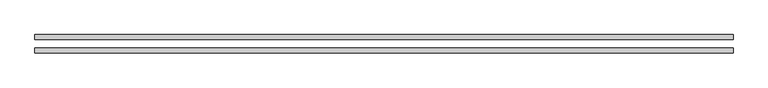
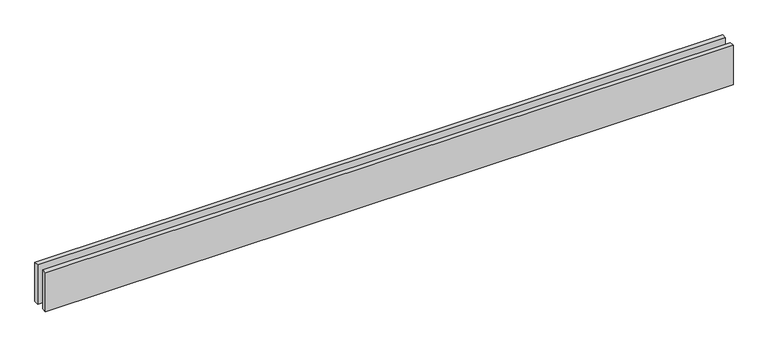
"""IFC4 building model written with IfcOpenShell, lengths in millimetres: proxy geometry."""

from ifc_helpers import new_model, si_unit, origin, origin_with_axes, place, context, project, spatial, polyline, outline, extrude, source, transform, mapped, element, save


def generic_models_b1c30218(model_context):
    return source(origin(), model_context, "Body", "SweptSolid", [
        extrude(outline(polyline([(4146.2680425, 25.0), (0.0, 25.0), (0.0, 55.0), (4146.2680425, 55.0), (4146.2680425, 25.0)])), origin_with_axes(), (0.0, 0.0, 1.0), 250.0),
        extrude(outline(polyline([(4146.2680425, -55.0), (0.0, -55.0), (0.0, -25.0), (4146.2680425, -25.0), (4146.2680425, -55.0)])), origin_with_axes(), (0.0, 0.0, 1.0), 250.0),
    ])


if __name__ == "__main__":
    model = new_model("IFC4")
    model_context = context("Model", 3, world=origin())
    ifc_project = project(units=[si_unit("LENGTHUNIT", "METRE", prefix="MILLI")], contexts=[model_context])
    site = spatial("IfcSite", under=ifc_project)
    building = spatial("IfcBuilding", under=site)
    placement = place(None, origin())
    generic_models_shape = generic_models_b1c30218(model_context)
    element("IfcBuildingElementProxy", 1, Name="Generic Models", at=placement, inside=building, context=model_context, shape_type="MappedRepresentation", body=[
        mapped(generic_models_shape, transform((0.0, 0.0, 0.0), x_axis=(1.0, 0.0, 0.0), y_axis=(0.0, 1.0, 0.0), z_axis=(0.0, 0.0, 1.0))),
    ])
    save(model, "model.ifc")
